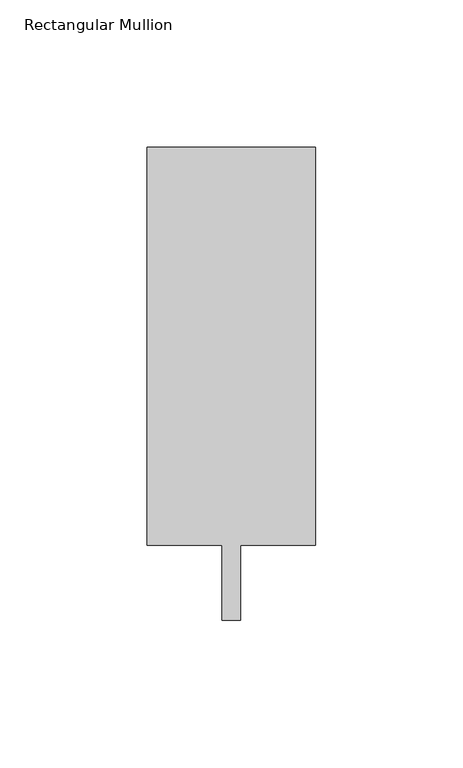
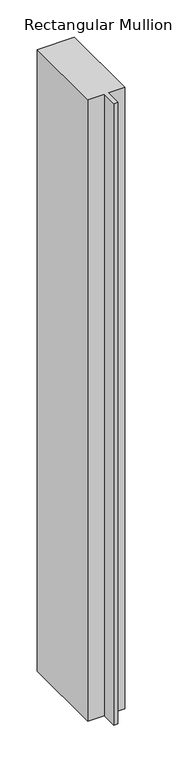
"""IFC4 building model written with IfcOpenShell, lengths in millimetres: member geometry, Rectangular Mullion."""

from ifc_helpers import new_model, si_unit, frame, origin, place, context, project, spatial, polyline, outline, extrude, source, transform, mapped, element, save


def rectangular_mullion_1318d163(model_context):
    return source(origin(), model_context, "Body", "SweptSolid", [
        extrude(outline(polyline([(28.575, 147.6375), (28.575, 12.7), (3.175, 12.7), (3.175, -12.7), (-3.175, -12.7), (-3.175, 12.7), (-28.575, 12.7), (-28.575, 147.6375), (28.575, 147.6375)])), frame((0.0, 0.0, -1016.0), z_axis=(0.0, 0.0, 1.0), x_axis=(1.0, 0.0, 0.0)), (0.0, 0.0, 1.0), 1016.0),
    ])


if __name__ == "__main__":
    model = new_model("IFC4")
    model_context = context("Model", 3, world=origin())
    ifc_project = project(units=[si_unit("LENGTHUNIT", "METRE", prefix="MILLI")], contexts=[model_context])
    site = spatial("IfcSite", under=ifc_project)
    building = spatial("IfcBuilding", under=site)
    placement = place(None, origin())
    rectangular_mullion_shape = rectangular_mullion_1318d163(model_context)
    element("IfcMember", 1, ObjectType="Rectangular Mullion", at=placement, inside=building, context=model_context, shape_type="MappedRepresentation", body=[
        mapped(rectangular_mullion_shape, transform((0.0, 0.0, 0.0), x_axis=(1.0, 0.0, 0.0), y_axis=(0.0, 1.0, 0.0), z_axis=(0.0, 0.0, 1.0))),
    ])
    save(model, "model.ifc")
